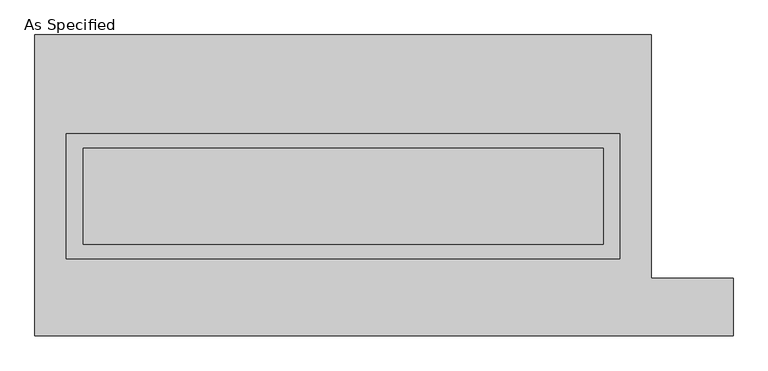
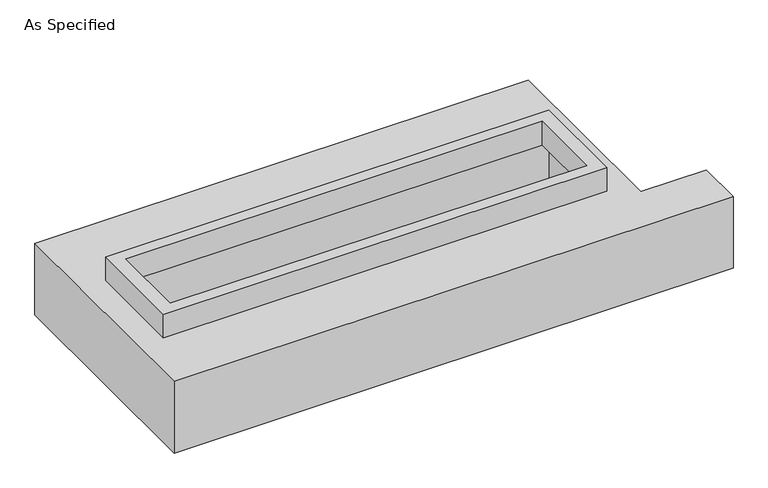
"""IFC4 building model written with IfcOpenShell, lengths in millimetres: proxy geometry, As Specified."""

from ifc_helpers import new_model, si_unit, frame, origin, place, context, project, spatial, polyline, outline, extrude, faceted_brep, source, transform, mapped, element, save


def as_specified_3b9b44c6(model_context):
    return source(origin(), model_context, "Body", "SolidModel", [
        extrude(outline(polyline([(1460.5, 273.05), (1460.5, -387.35), (-1460.5, -387.35), (-1460.5, 273.05), (1460.5, 273.05)]), holes=[polyline([(1371.6, 196.85), (-1371.6, 196.85), (-1371.6, -311.15), (1371.6, -311.15), (1371.6, 196.85)])]), frame((0.0, 0.0, -25.4), z_axis=(0.0, 0.0, 1.0), x_axis=(1.0, 0.0, 0.0)), (0.0, 0.0, 1.0), 165.1),
        faceted_brep([(-1625.6, 793.75, -523.875), (1625.6, 793.75, -523.875), (1625.6, -488.95, -523.875), (2057.4, -488.95, -523.875), (2057.4, -793.75, -523.875), (-1625.6, -793.75, -523.875), (1625.6, 793.75, -25.4), (-1625.6, 793.75, -25.4), (-1625.6, -793.75, -25.4), (2057.4, -793.75, -25.4), (2057.4, -488.95, -25.4), (1625.6, -488.95, -25.4), (-1460.5, -387.35, -25.4), (-1460.5, 273.05, -25.4), (1460.5, 273.05, -25.4), (1460.5, -387.35, -25.4), (1460.5, 273.05, -498.475), (-1460.5, 273.05, -498.475), (-1460.5, -387.35, -498.475), (1460.5, -387.35, -498.475)], [[[0, 1, 2, 3, 4, 5]], [[6, 7, 8, 9, 10, 11], [12, 13, 14, 15]], [[1, 0, 7, 6]], [[7, 0, 5, 8]], [[1, 6, 11, 2]], [[16, 17, 18, 19]], [[18, 17, 13, 12]], [[17, 16, 14, 13]], [[16, 19, 15, 14]], [[19, 18, 12, 15]], [[5, 4, 9, 8]], [[3, 2, 11, 10]], [[4, 3, 10, 9]]]),
    ])


if __name__ == "__main__":
    model = new_model("IFC4")
    model_context = context("Model", 3, world=origin())
    ifc_project = project(units=[si_unit("LENGTHUNIT", "METRE", prefix="MILLI")], contexts=[model_context])
    site = spatial("IfcSite", under=ifc_project)
    building = spatial("IfcBuilding", under=site)
    placement = place(None, origin())
    as_specified_shape = as_specified_3b9b44c6(model_context)
    element("IfcBuildingElementProxy", 1, Name="As Specified", ObjectType="As Specified", at=placement, inside=building, context=model_context, shape_type="MappedRepresentation", body=[
        mapped(as_specified_shape, transform((0.0, 0.0, 0.0), x_axis=(1.0, 0.0, 0.0), y_axis=(0.0, 1.0, 0.0), z_axis=(0.0, 0.0, 1.0))),
    ])
    save(model, "model.ifc")
